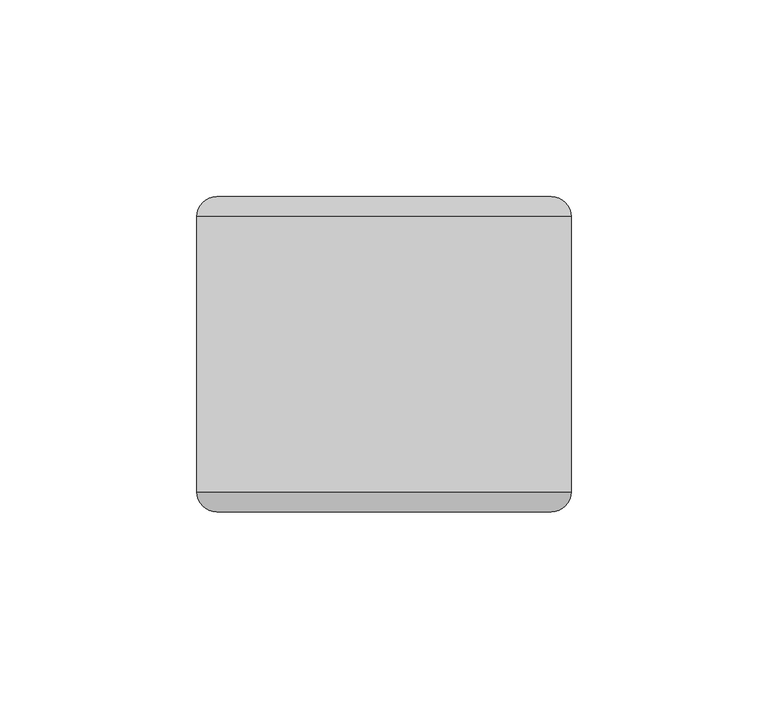
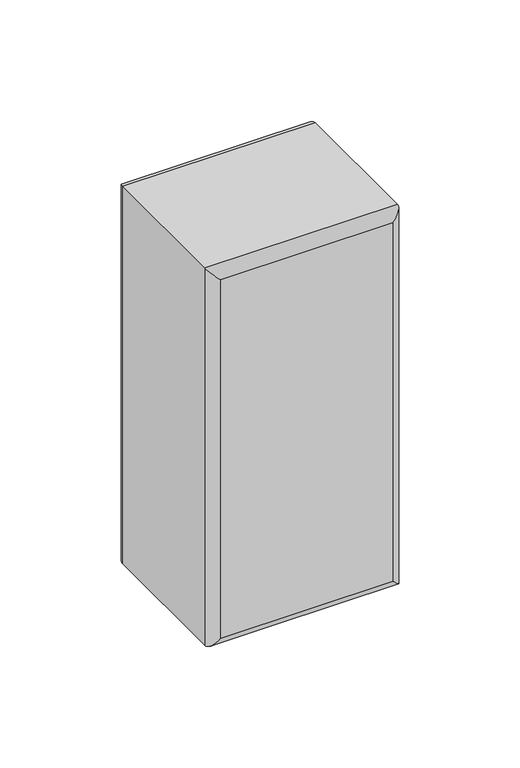
"""IFC4 building model written with IfcOpenShell, lengths in millimetres: plate geometry."""

from ifc_helpers import new_model, si_unit, frame, origin, place, context, project, spatial, ellipse_curve, source, transform, mapped, element, save
from ifc_brep_helpers import plane_surface, cylinder_surface, advanced_brep


def plate_c14fd5a6(model_context):
    return source(origin(), model_context, "Body", "AdvancedBrep", [
        advanced_brep(
        [(-47.6249998, -35.0, 196.9869895), (47.3750002, -35.0, 196.9869895), (47.3750002, 35.0, 196.9869895), (-47.6249998, 35.0, 196.9869895), (47.3750002, -35.0, 0.0), (-47.6249998, -35.0, 0.0), (-47.6249998, 35.0, 0.0), (47.3750002, 35.0, 0.0), (-42.6249998, -40.0, 5.0), (42.3750002, -40.0, 5.0), (42.3750002, -40.0, 191.9869895), (-42.6249998, -40.0, 191.9869895), (42.3750002, 40.0, 5.0), (-42.6249998, 40.0, 5.0), (-42.6249998, 40.0, 191.9869895), (42.3750002, 40.0, 191.9869895)],
        [
            (0, 1),
            (1, 2),
            (2, 3),
            (3, 0),
            (4, 5),
            (5, 6),
            (6, 7),
            (7, 4),
            (8, 9),
            (9, 10),
            (10, 11),
            (11, 8),
            (1, 4),
            (7, 2),
            (12, 13),
            (13, 14),
            (14, 15),
            (15, 12),
            (5, 0),
            (3, 6),
            (4, 9, ellipse_curve(frame((42.3750002, -35.0, 5.0), z_axis=(-0.7071067811865475, 0.0, -0.7071067811865475), x_axis=(0.7071067811865476, 0.0, -0.7071067811865474)), 7.0710678, 5.0)),
            (8, 5, ellipse_curve(frame((-42.6249998, -35.0, 5.0), z_axis=(0.7071067811865475, 0.0, -0.7071067811865475), x_axis=(0.7071067811865476, 0.0, 0.7071067811865474)), 7.0710678, 5.0)),
            (1, 10, ellipse_curve(frame((42.3750002, -35.0, 191.9869895), z_axis=(0.7071067811865475, 0.0, -0.7071067811865475), x_axis=(0.7071067811865474, 0.0, 0.7071067811865476)), 7.0710678, 5.0)),
            (0, 11, ellipse_curve(frame((-42.6249998, -35.0, 191.9869895), z_axis=(0.7071067811865475, 0.0, 0.7071067811865475), x_axis=(-0.7071067811865476, 0.0, 0.7071067811865474)), 7.0710678, 5.0)),
            (12, 7, ellipse_curve(frame((42.3750002, 35.0, 5.0), z_axis=(-0.7071067811865475, 0.0, -0.7071067811865475), x_axis=(0.7071067811865476, 0.0, -0.7071067811865474)), 7.0710678, 5.0)),
            (6, 13, ellipse_curve(frame((-42.6249998, 35.0, 5.0), z_axis=(0.7071067811865475, 0.0, -0.7071067811865475), x_axis=(0.7071067811865476, 0.0, 0.7071067811865474)), 7.0710678, 5.0)),
            (15, 2, ellipse_curve(frame((42.3750002, 35.0, 191.9869895), z_axis=(0.7071067811865475, 0.0, -0.7071067811865475), x_axis=(0.7071067811865474, 0.0, 0.7071067811865476)), 7.0710678, 5.0)),
            (14, 3, ellipse_curve(frame((-42.6249998, 35.0, 191.9869895), z_axis=(0.7071067811865475, 0.0, 0.7071067811865475), x_axis=(-0.7071067811865476, 0.0, 0.7071067811865474)), 7.0710678, 5.0)),
        ],
        [
            plane_surface(frame((-47.6249998, -40.0, 196.9869895), z_axis=(0.0, 0.0, 1.0), x_axis=(1.0, 0.0, 0.0))),
            plane_surface(frame((-47.6249998, -40.0, 0.0), z_axis=(0.0, 0.0, -1.0), x_axis=(-1.0, 0.0, 0.0))),
            plane_surface(frame((-47.6249998, -40.0, 196.9869895), z_axis=(0.0, -1.0, 0.0), x_axis=(0.0, 0.0, -1.0))),
            plane_surface(frame((47.3750002, -40.0, 196.9869895), z_axis=(1.0, 0.0, 0.0), x_axis=(0.0, 0.0, -1.0))),
            plane_surface(frame((47.3750002, 40.0, 196.9869895), z_axis=(0.0, 1.0, 0.0), x_axis=(0.0, 0.0, -1.0))),
            plane_surface(frame((-47.6249998, 40.0, 196.9869895), z_axis=(-1.0, 0.0, 0.0), x_axis=(0.0, 0.0, -1.0))),
            cylinder_surface(frame((-47.6249998, -35.0, 5.0), z_axis=(1.0, 0.0, 0.0), x_axis=(0.0, 0.0, -1.0)), 5.0),
            cylinder_surface(frame((42.3750002, -35.0, 0.0), z_axis=(0.0, 0.0, 1.0), x_axis=(1.0, 0.0, 0.0)), 5.0),
            cylinder_surface(frame((47.3750002, -35.0, 191.9869895), z_axis=(-1.0, 0.0, 0.0), x_axis=(0.0, 0.0, 1.0)), 5.0),
            cylinder_surface(frame((-42.6249998, -35.0, 196.9869895), z_axis=(0.0, 0.0, -1.0), x_axis=(-1.0, 0.0, 0.0)), 5.0),
            cylinder_surface(frame((-47.6249998, 35.0, 5.0), z_axis=(1.0, 0.0, 0.0), x_axis=(0.0, 0.0, -1.0)), 5.0),
            cylinder_surface(frame((42.3750002, 35.0, 0.0), z_axis=(0.0, 0.0, 1.0), x_axis=(1.0, 0.0, 0.0)), 5.0),
            cylinder_surface(frame((47.3750002, 35.0, 191.9869895), z_axis=(-1.0, 0.0, 0.0), x_axis=(0.0, 0.0, 1.0)), 5.0),
            cylinder_surface(frame((-42.6249998, 35.0, 196.9869895), z_axis=(0.0, 0.0, -1.0), x_axis=(-1.0, 0.0, 0.0)), 5.0),
        ],
        [
            (0, [[1, 2, 3, 4]]),
            (1, [[5, 6, 7, 8]]),
            (2, [[9, 10, 11, 12]]),
            (3, [[13, -8, 14, -2]]),
            (4, [[15, 16, 17, 18]]),
            (5, [[19, -4, 20, -6]]),
            (6, [[21, -9, 22, -5]]),
            (7, [[-21, -13, 23, -10]]),
            (8, [[-23, -1, 24, -11]]),
            (9, [[-22, -12, -24, -19]]),
            (10, [[25, -7, 26, -15]]),
            (11, [[-25, -18, 27, -14]]),
            (12, [[-27, -17, 28, -3]]),
            (13, [[-26, -20, -28, -16]]),
        ],
    ),
    ])


if __name__ == "__main__":
    model = new_model("IFC4")
    model_context = context("Model", 3, world=origin())
    ifc_project = project(units=[si_unit("LENGTHUNIT", "METRE", prefix="MILLI")], contexts=[model_context])
    site = spatial("IfcSite", under=ifc_project)
    building = spatial("IfcBuilding", under=site)
    placement = place(None, origin())
    plate_shape = plate_c14fd5a6(model_context)
    element("IfcPlate", 1, at=placement, inside=building, context=model_context, shape_type="MappedRepresentation", body=[
        mapped(plate_shape, transform((0.0, 0.0, 0.0), x_axis=(1.0, 0.0, 0.0), y_axis=(0.0, 1.0, 0.0), z_axis=(0.0, 0.0, 1.0))),
    ])
    save(model, "model.ifc")
